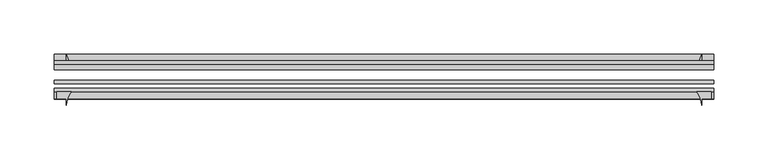
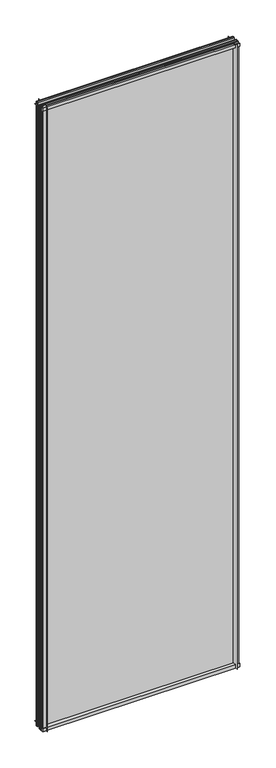
"""IFC4 building model written with IfcOpenShell, lengths in millimetres: plate geometry."""

from ifc_helpers import new_model, si_unit, point, frame, frame_2d, origin, place, context, project, spatial, polyline, circle_curve, trimmed, segment, composite_curve, outline, extrude, source, transform, mapped, element, save


def plate_42d3ede2(model_context):
    return source(origin(), model_context, "Body", "SweptSolid", [
        extrude(outline(composite_curve([segment(polyline([(-42.891075, -11.1125), (-42.891075, 3.8539528)]), True, "CONTINUOUS"), segment(trimmed(circle_curve(frame_2d((-26.637892, 29.5913262)), 30.4397495), [point((-42.891075, 3.8539528))], [point((-33.7745413, 0.0))], True, "CARTESIAN"), True, "CONTINUOUS"), segment(polyline([(-33.7745413, 0.0), (-39.690675, 0.0), (-39.690675, -11.1125), (-42.891075, -11.1125)]), True, "CONTINUOUS")], self_intersect=False)), frame((-303.2125, 0.0, 0.0), z_axis=(1.0, 0.0, 0.0), x_axis=(0.0, 1.0, 0.0)), (0.0, 0.0, 1.0), 606.425),
        extrude(outline(composite_curve([segment(trimmed(circle_curve(frame_2d((-80.4922797, 17.8701603)), 18.6769817), [point((-74.641075, 0.1333891))], [point((-68.291075, 3.72943))], True, "CARTESIAN"), True, "CONTINUOUS"), segment(polyline([(-68.291075, 3.72943), (-68.291075, -10.3251), (-74.641075, -10.3251), (-74.641075, 0.1333891)]), True, "CONTINUOUS")], self_intersect=False)), frame((-303.2125, 0.0, 0.0), z_axis=(1.0, 0.0, 0.0), x_axis=(0.0, 1.0, 0.0)), (0.0, 0.0, 1.0), 606.425),
        extrude(outline(composite_curve([segment(polyline([(-42.891075, 2005.9083472), (-42.891075, 2020.8875), (-39.690675, 2020.8875), (-39.690675, 2009.775), (-33.721675, 2009.775)]), True, "CONTINUOUS"), segment(trimmed(circle_curve(frame_2d((-26.637892, 1980.1709738)), 30.4397495), [point((-33.721675, 2009.775))], [point((-42.891075, 2005.9083472))], True, "CARTESIAN"), True, "CONTINUOUS")], self_intersect=False)), frame((-303.2125, 0.0, 0.0), z_axis=(1.0, 0.0, 0.0), x_axis=(0.0, 1.0, 0.0)), (0.0, 0.0, 1.0), 606.425),
        extrude(outline(composite_curve([segment(polyline([(-68.291075, 2018.5126), (-68.291075, 2005.23912)]), True, "CONTINUOUS"), segment(trimmed(circle_curve(frame_2d((-80.4922797, 1991.0983897)), 18.6769817), [point((-68.291075, 2005.23912))], [point((-74.641075, 2008.8351609))], True, "CARTESIAN"), True, "CONTINUOUS"), segment(polyline([(-74.641075, 2008.8351609), (-74.641075, 2018.5126), (-68.291075, 2018.5126)]), True, "CONTINUOUS")], self_intersect=False)), frame((-303.2125, 0.0, 0.0), z_axis=(1.0, 0.0, 0.0), x_axis=(0.0, 1.0, 0.0)), (0.0, 0.0, 1.0), 606.425),
        extrude(outline(composite_curve([segment(polyline([(287.56412, -68.291075), (300.8376, -68.291075), (300.8376, -74.641075), (292.1, -74.641075), (292.1, -80.3744844)]), True, "CONTINUOUS"), segment(trimmed(circle_curve(frame_2d((273.4233897, -80.4922797)), 18.6769817), [point((292.1, -80.3744844))], [point((287.56412, -68.291075))], True, "CARTESIAN"), True, "CONTINUOUS")], self_intersect=False)), frame((0.0, 0.0, -11.1125), z_axis=(0.0, 0.0, 1.0), x_axis=(1.0, 0.0, 0.0)), (0.0, 0.0, 1.0), 2032.0),
        extrude(outline(composite_curve([segment(trimmed(circle_curve(frame_2d((262.4959738, -26.637892)), 30.4397495), [point((288.2333472, -42.891075))], [point((292.1, -33.721675))], True, "CARTESIAN"), True, "CONTINUOUS"), segment(polyline([(292.1, -33.721675), (292.1, -39.690675), (303.2125, -39.690675), (303.2125, -42.891075), (288.2333472, -42.891075)]), True, "CONTINUOUS")], self_intersect=False)), frame((0.0, 0.0, -11.1125), z_axis=(0.0, 0.0, 1.0), x_axis=(1.0, 0.0, 0.0)), (0.0, 0.0, 1.0), 2032.0),
        extrude(outline(composite_curve([segment(trimmed(circle_curve(frame_2d((-273.4233897, -80.4922797)), 18.6769817), [point((-287.56412, -68.291075))], [point((-292.1, -80.3744844))], True, "CARTESIAN"), True, "CONTINUOUS"), segment(polyline([(-292.1, -80.3744844), (-292.1, -74.641075), (-300.8376, -74.641075), (-300.8376, -68.291075), (-287.56412, -68.291075)]), True, "CONTINUOUS")], self_intersect=False)), frame((0.0, 0.0, -11.1125), z_axis=(0.0, 0.0, 1.0), x_axis=(1.0, 0.0, 0.0)), (0.0, 0.0, 1.0), 2032.0),
        extrude(outline(composite_curve([segment(polyline([(-288.2333472, -42.891075), (-303.2125, -42.891075), (-303.2125, -39.690675), (-292.1, -39.690675), (-292.1, -33.721675)]), True, "CONTINUOUS"), segment(trimmed(circle_curve(frame_2d((-262.4959738, -26.637892)), 30.4397495), [point((-292.1, -33.721675))], [point((-288.2333472, -42.891075))], True, "CARTESIAN"), True, "CONTINUOUS")], self_intersect=False)), frame((0.0, 0.0, -11.1125), z_axis=(0.0, 0.0, 1.0), x_axis=(1.0, 0.0, 0.0)), (0.0, 0.0, 1.0), 2032.0),
        extrude(outline(polyline([(-303.2125, -42.891075), (303.2125, -42.891075), (303.2125, -47.653575), (-303.2125, -47.653575), (-303.2125, -42.891075)])), frame((0.0, 0.0, -11.1125), z_axis=(0.0, 0.0, 1.0), x_axis=(1.0, 0.0, 0.0)), (0.0, 0.0, 1.0), 2032.0),
        extrude(outline(polyline([(303.2125, -57.369075), (303.2125, -60.544075), (-303.2125, -60.544075), (-303.2125, -57.369075), (303.2125, -57.369075)])), frame((0.0, 0.0, -11.1125), z_axis=(0.0, 0.0, 1.0), x_axis=(1.0, 0.0, 0.0)), (0.0, 0.0, 1.0), 2032.0),
        extrude(outline(polyline([(-303.2125, -65.116075), (303.2125, -65.116075), (303.2125, -68.291075), (-303.2125, -68.291075), (-303.2125, -65.116075)])), frame((0.0, 0.0, -11.1125), z_axis=(0.0, 0.0, 1.0), x_axis=(1.0, 0.0, 0.0)), (0.0, 0.0, 1.0), 2032.0),
    ])


if __name__ == "__main__":
    model = new_model("IFC4")
    model_context = context("Model", 3, world=origin())
    ifc_project = project(units=[si_unit("LENGTHUNIT", "METRE", prefix="MILLI")], contexts=[model_context])
    site = spatial("IfcSite", under=ifc_project)
    building = spatial("IfcBuilding", under=site)
    placement = place(None, origin())
    plate_shape = plate_42d3ede2(model_context)
    element("IfcPlate", 1, at=placement, inside=building, context=model_context, shape_type="MappedRepresentation", body=[
        mapped(plate_shape, transform((0.0, 0.0, 0.0), x_axis=(1.0, 0.0, 0.0), y_axis=(0.0, 1.0, 0.0), z_axis=(0.0, 0.0, 1.0))),
    ])
    save(model, "model.ifc")
